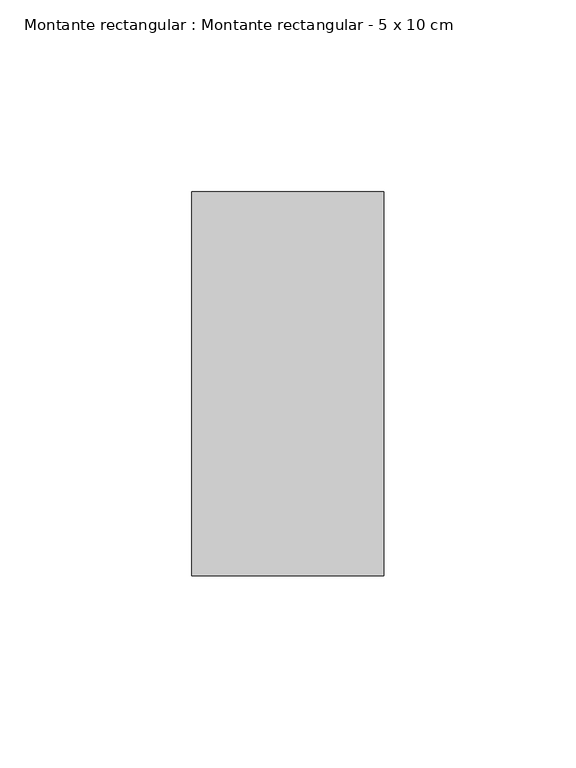
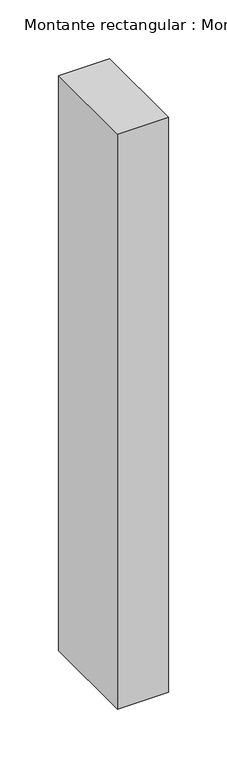
"""IFC4 building model written with IfcOpenShell, lengths in millimetres: member geometry, Montante rectangular : Montante rectangular - 5 x 10 cm."""

from ifc_helpers import new_model, si_unit, frame, origin, place, context, project, spatial, polyline, outline, extrude, source, transform, mapped, element, save


def montante_rectangular_montante_rectangular_5_x_10_cm_c7b241bd(model_context):
    return source(origin(), model_context, "Body", "SweptSolid", [
        extrude(outline(polyline([(0.0, 50.0), (0.0, -50.0), (-50.0, -50.0), (-50.0, 50.0), (0.0, 50.0)])), frame((0.0, 0.0, -596.761875), z_axis=(0.0, 0.0, 1.0), x_axis=(1.0, 0.0, 0.0)), (0.0, 0.0, 1.0), 596.761875),
    ])


if __name__ == "__main__":
    model = new_model("IFC4")
    model_context = context("Model", 3, world=origin())
    ifc_project = project(units=[si_unit("LENGTHUNIT", "METRE", prefix="MILLI")], contexts=[model_context])
    site = spatial("IfcSite", under=ifc_project)
    building = spatial("IfcBuilding", under=site)
    placement = place(None, origin())
    montante_rectangular_montante_rectangular_5_x_10_cm_shape = montante_rectangular_montante_rectangular_5_x_10_cm_c7b241bd(model_context)
    element("IfcMember", 1, ObjectType="Montante rectangular : Montante rectangular - 5 x 10 cm", at=placement, inside=building, context=model_context, shape_type="MappedRepresentation", body=[
        mapped(montante_rectangular_montante_rectangular_5_x_10_cm_shape, transform((0.0, 0.0, 0.0), x_axis=(1.0, 0.0, 0.0), y_axis=(0.0, 1.0, 0.0), z_axis=(0.0, 0.0, 1.0))),
    ])
    save(model, "model.ifc")
